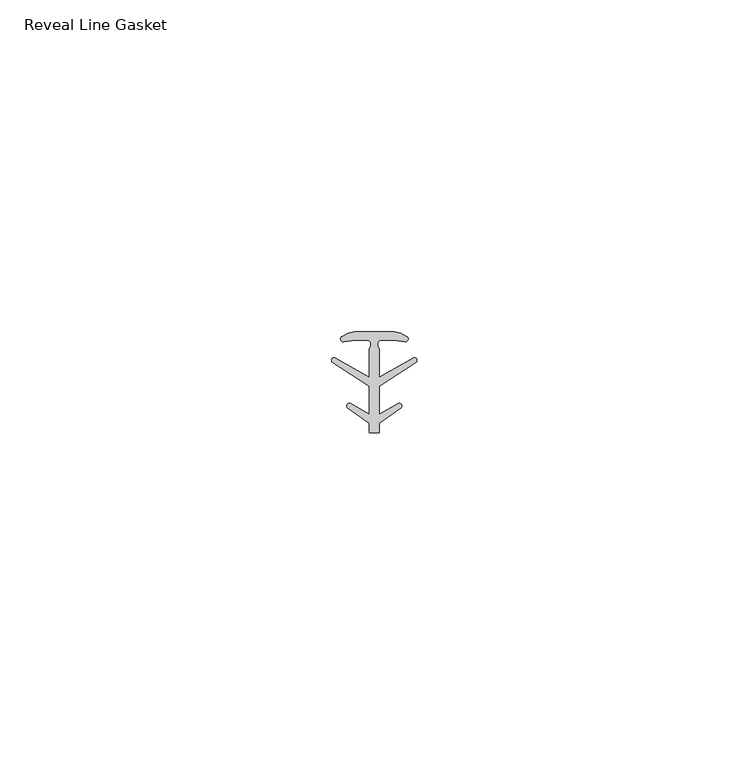
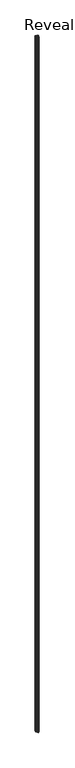
"""IFC4 building model written with IfcOpenShell, lengths in millimetres: proxy geometry, Reveal Line Gasket."""

from ifc_helpers import new_model, si_unit, point, frame, frame_2d, origin, place, context, project, spatial, polyline, circle_curve, trimmed, segment, composite_curve, outline, extrude, source, transform, mapped, element, save


def reveal_line_gasket_d2ee0fa4(model_context):
    return source(origin(), model_context, "Body", "SweptSolid", [
        extrude(outline(composite_curve([segment(polyline([(2.999107, 7.6326998), (3.9545998, 7.4091917), (4.8875754, 6.8813059)]), True, "CONTINUOUS"), segment(trimmed(circle_curve(frame_2d((4.6855864, 6.5243141)), 0.4101739), [point((4.8875754, 6.8813059))], [point((4.5932418, 6.1246704))], False, "CARTESIAN"), True, "CONTINUOUS"), segment(polyline([(4.5932418, 6.1246704), (2.8970156, 6.3626997), (0.8645598, 6.3626997)]), True, "CONTINUOUS"), segment(trimmed(circle_curve(frame_2d((1.2810328, 5.6959605)), 0.786124), [point((0.8645598, 6.3626997))], [point((0.7769821, 5.0926996))], True, "CARTESIAN"), True, "CONTINUOUS"), segment(polyline([(0.7769821, 5.0926996), (0.7769821, 0.7492996), (5.9386365, 3.7293824)]), True, "CONTINUOUS"), segment(trimmed(circle_curve(frame_2d((6.0040832, 3.3132479)), 0.4212495), [point((5.9386365, 3.7293824))], [point((6.3317429, 3.0485022))], False, "CARTESIAN"), True, "CONTINUOUS"), segment(polyline([(6.3317429, 3.0485022), (0.7769821, -0.5742594), (0.7769821, -4.8262978), (3.6526367, -3.1660374)]), True, "CONTINUOUS"), segment(trimmed(circle_curve(frame_2d((3.7109925, -3.5978728)), 0.4357605), [point((3.6526367, -3.1660374))], [point((4.0557951, -3.864328))], False, "CARTESIAN"), True, "CONTINUOUS"), segment(polyline([(4.0557951, -3.864328), (0.7769821, -6.1944059), (0.7769821, -7.6326998), (-0.778768, -7.6326998), (-0.778768, -6.1944059), (-4.0575811, -3.864328)]), True, "CONTINUOUS"), segment(trimmed(circle_curve(frame_2d((-3.7127785, -3.5978728)), 0.4357605), [point((-4.0575811, -3.864328))], [point((-3.6544226, -3.1660374))], False, "CARTESIAN"), True, "CONTINUOUS"), segment(polyline([(-3.6544226, -3.1660374), (-0.778768, -4.8262978), (-0.778768, -0.5742594), (-6.3335288, 3.0485022)]), True, "CONTINUOUS"), segment(trimmed(circle_curve(frame_2d((-6.0058691, 3.3132479)), 0.4212495), [point((-6.3335288, 3.0485022))], [point((-5.9404224, 3.7293824))], False, "CARTESIAN"), True, "CONTINUOUS"), segment(polyline([(-5.9404224, 3.7293824), (-0.778768, 0.7492996), (-0.778768, 5.0926996)]), True, "CONTINUOUS"), segment(trimmed(circle_curve(frame_2d((-1.2828188, 5.6959605)), 0.786124), [point((-0.778768, 5.0926996))], [point((-0.8663457, 6.3626997))], True, "CARTESIAN"), True, "CONTINUOUS"), segment(polyline([(-0.8663457, 6.3626997), (-2.8988015, 6.3626997), (-4.5950277, 6.1246704)]), True, "CONTINUOUS"), segment(trimmed(circle_curve(frame_2d((-4.6873723, 6.5243141)), 0.4101739), [point((-4.5950277, 6.1246704))], [point((-4.8893614, 6.8813059))], False, "CARTESIAN"), True, "CONTINUOUS"), segment(polyline([(-4.8893614, 6.8813059), (-3.9563857, 7.4091917), (-3.000893, 7.6326998), (2.999107, 7.6326998)]), True, "CONTINUOUS")], self_intersect=False)), frame((0.0, 0.0, 84.836), z_axis=(0.0, 0.0, 1.0), x_axis=(1.0, 0.0, 0.0)), (0.0, 0.0, 1.0), 2954.0790671),
    ])


if __name__ == "__main__":
    model = new_model("IFC4")
    model_context = context("Model", 3, world=origin())
    ifc_project = project(units=[si_unit("LENGTHUNIT", "METRE", prefix="MILLI")], contexts=[model_context])
    site = spatial("IfcSite", under=ifc_project)
    building = spatial("IfcBuilding", under=site)
    placement = place(None, origin())
    reveal_line_gasket_shape = reveal_line_gasket_d2ee0fa4(model_context)
    element("IfcBuildingElementProxy", 1, Name="Reveal Line Gasket", ObjectType="Reveal Line Gasket", at=placement, inside=building, context=model_context, shape_type="MappedRepresentation", body=[
        mapped(reveal_line_gasket_shape, transform((0.0, 0.0, 0.0), x_axis=(1.0, 0.0, 0.0), y_axis=(0.0, 1.0, 0.0), z_axis=(0.0, 0.0, 1.0))),
    ])
    save(model, "model.ifc")
